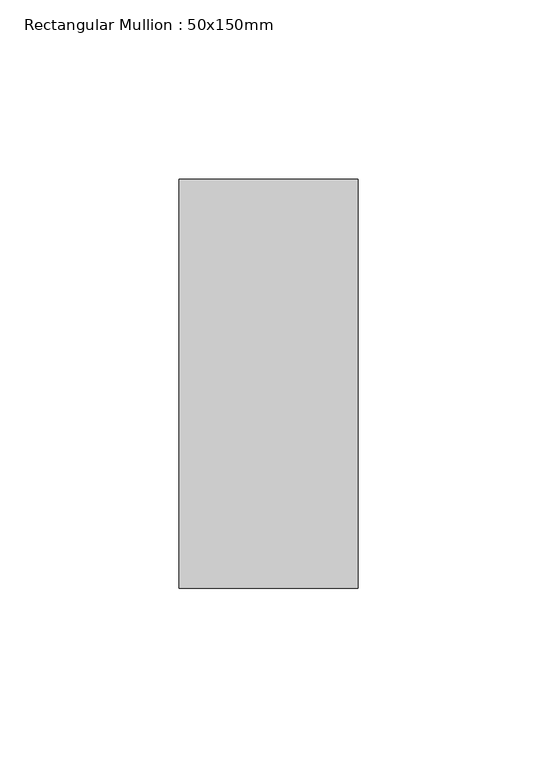
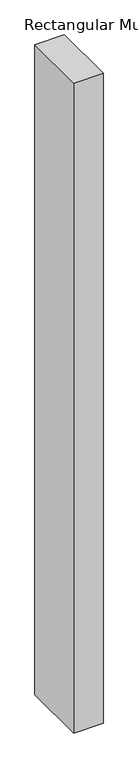
"""IFC4 building model written with IfcOpenShell, lengths in millimetres: member geometry, Rectangular Mullion : 50x150mm."""

from ifc_helpers import new_model, si_unit, frame, origin, place, context, project, spatial, polyline, outline, extrude, source, transform, mapped, element, save


def rectangular_mullion_50x150mm_12ae27df(model_context):
    return source(origin(), model_context, "Body", "SweptSolid", [
        extrude(outline(polyline([(0.0, 57.15), (0.0, -57.15), (-50.0, -57.15), (-50.0, 57.15), (0.0, 57.15)])), frame((0.0, 0.0, -1169.3619882), z_axis=(0.0, 0.0, 1.0), x_axis=(1.0, 0.0, 0.0)), (0.0, 0.0, 1.0), 1169.3619882),
    ])


if __name__ == "__main__":
    model = new_model("IFC4")
    model_context = context("Model", 3, world=origin())
    ifc_project = project(units=[si_unit("LENGTHUNIT", "METRE", prefix="MILLI")], contexts=[model_context])
    site = spatial("IfcSite", under=ifc_project)
    building = spatial("IfcBuilding", under=site)
    placement = place(None, origin())
    rectangular_mullion_50x150mm_shape = rectangular_mullion_50x150mm_12ae27df(model_context)
    element("IfcMember", 1, ObjectType="Rectangular Mullion : 50x150mm", at=placement, inside=building, context=model_context, shape_type="MappedRepresentation", body=[
        mapped(rectangular_mullion_50x150mm_shape, transform((0.0, 0.0, 0.0), x_axis=(1.0, 0.0, 0.0), y_axis=(0.0, 1.0, 0.0), z_axis=(0.0, 0.0, 1.0))),
    ])
    save(model, "model.ifc")
